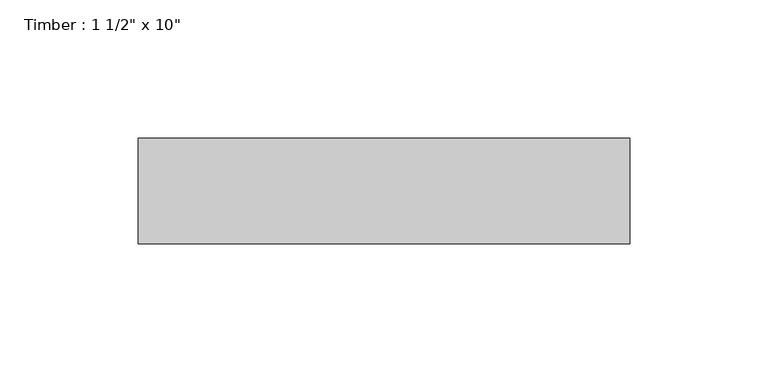
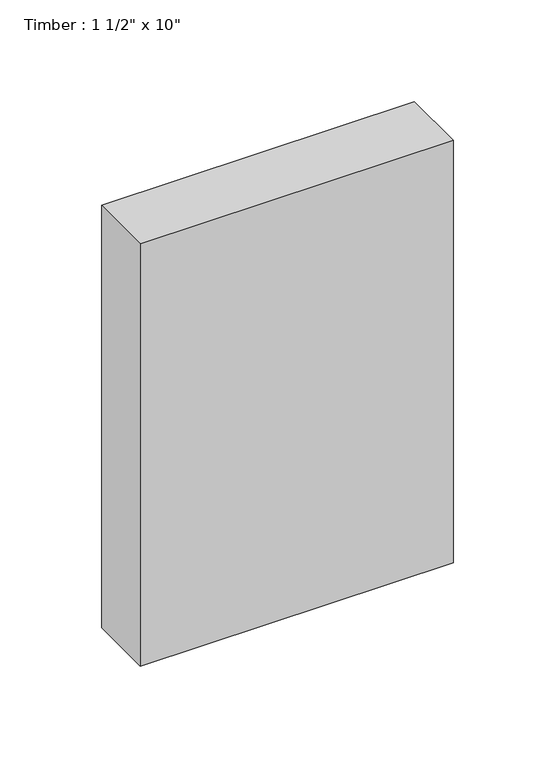
"""IFC4 building model written with IfcOpenShell, lengths in millimetres: beam geometry."""

from ifc_helpers import new_model, si_unit, frame, origin, place, context, project, spatial, polyline, outline, extrude, source, transform, mapped, element, save


def beam_7cc56206(model_context):
    return source(origin(), model_context, "Body", "SweptSolid", [
        extrude(outline(polyline([(88.9, 19.05), (88.9, -19.05), (-88.9, -19.05), (-88.9, 19.05), (88.9, 19.05)])), frame((0.0, 0.0, -127.0), z_axis=(0.0, 0.0, 1.0), x_axis=(1.0, 0.0, 0.0)), (0.0, 0.0, 1.0), 254.0),
    ])


if __name__ == "__main__":
    model = new_model("IFC4")
    model_context = context("Model", 3, world=origin())
    ifc_project = project(units=[si_unit("LENGTHUNIT", "METRE", prefix="MILLI")], contexts=[model_context])
    site = spatial("IfcSite", under=ifc_project)
    building = spatial("IfcBuilding", under=site)
    placement = place(None, origin())
    beam_shape = beam_7cc56206(model_context)
    element("IfcBeam", 1, ObjectType="Timber : 1 1/2\" x 10\"", at=placement, inside=building, context=model_context, shape_type="MappedRepresentation", body=[
        mapped(beam_shape, transform((0.0, 0.0, 0.0), x_axis=(1.0, 0.0, 0.0), y_axis=(0.0, 1.0, 0.0), z_axis=(0.0, 0.0, 1.0))),
    ])
    save(model, "model.ifc")
